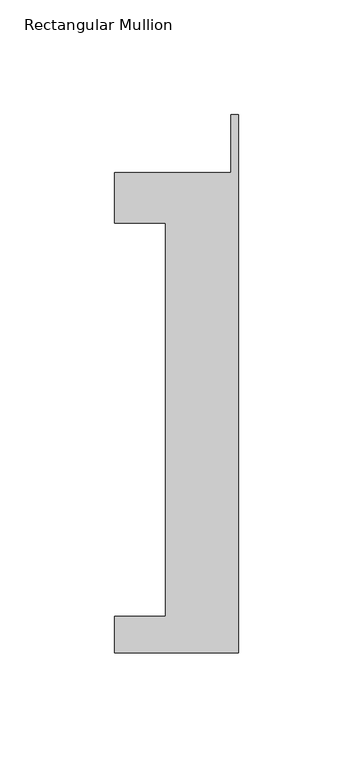
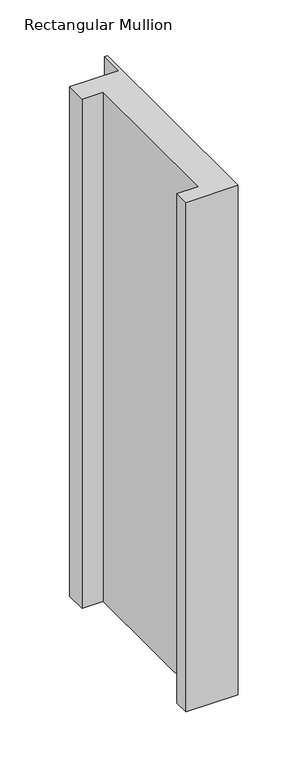
"""IFC4 building model written with IfcOpenShell, lengths in millimetres: member geometry, Rectangular Mullion."""

from ifc_helpers import new_model, si_unit, frame, origin, place, context, project, spatial, polyline, outline, extrude, source, transform, mapped, element, save


def rectangular_mullion_42fab34c(model_context):
    return source(origin(), model_context, "Body", "SweptSolid", [
        extrude(outline(polyline([(-53.975, -221.996), (-53.975, -206.121), (-31.75, -206.121), (-31.75, -34.671), (-53.975, -34.671), (-53.975, -12.7), (-3.175, -12.7), (-3.175, 12.7), (0.0, 12.7), (0.0, -221.996), (-53.975, -221.996)])), frame((0.0, 0.0, -558.8), z_axis=(0.0, 0.0, 1.0), x_axis=(1.0, 0.0, 0.0)), (0.0, 0.0, 1.0), 558.8),
    ])


if __name__ == "__main__":
    model = new_model("IFC4")
    model_context = context("Model", 3, world=origin())
    ifc_project = project(units=[si_unit("LENGTHUNIT", "METRE", prefix="MILLI")], contexts=[model_context])
    site = spatial("IfcSite", under=ifc_project)
    building = spatial("IfcBuilding", under=site)
    placement = place(None, origin())
    rectangular_mullion_shape = rectangular_mullion_42fab34c(model_context)
    element("IfcMember", 1, ObjectType="Rectangular Mullion", at=placement, inside=building, context=model_context, shape_type="MappedRepresentation", body=[
        mapped(rectangular_mullion_shape, transform((0.0, 0.0, 0.0), x_axis=(1.0, 0.0, 0.0), y_axis=(0.0, 1.0, 0.0), z_axis=(0.0, 0.0, 1.0))),
    ])
    save(model, "model.ifc")
